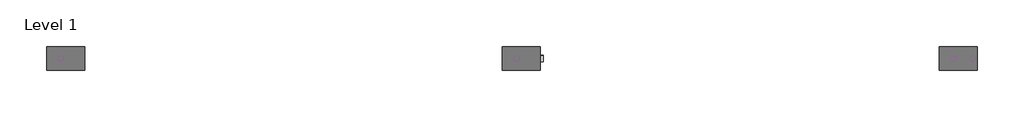
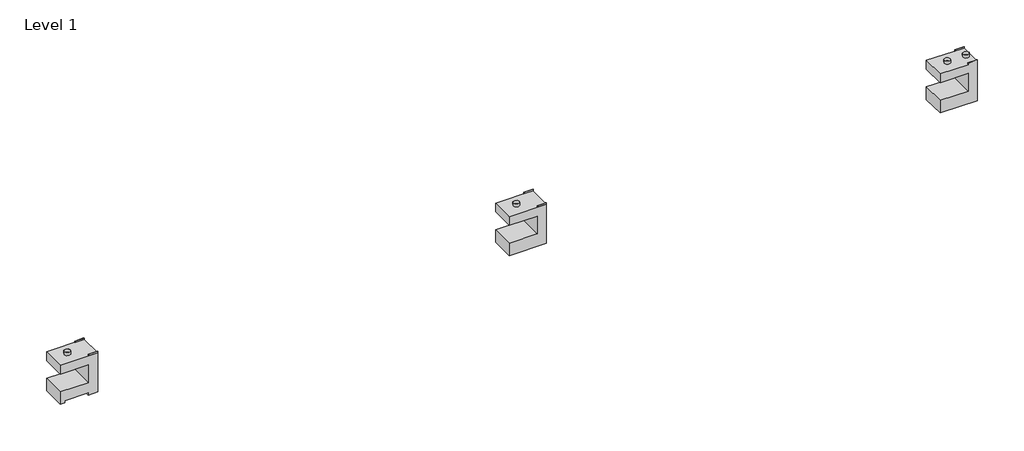
# One storey: 8 proxies.
"""IFC4 building model written with IfcOpenShell, lengths in millimetres."""

import ifcopenshell
import ifcopenshell.guid

model = None  # the IFC model being written
_history = None  # IfcOwnerHistory: only IFC2X3 demands one
_inside = {}  # id of a spatial element -> (the spatial element, [elements in it])
_under = {}  # id of a project, library or spatial element -> (it, [spatial elements below it])
_declared = {}  # id of a project -> (the project, [libraries it declares])
_typed = {}  # id of a type object -> (the type object, [elements of that type])
_made_of = {}  # id of a material, layer set ... -> (it, [elements and type objects made of it])


def new_model(schema):
    """Start an empty IFC model of exactly this schema.

    Asked for "IFC4X3", IfcOpenShell would pick the latest addendum, in which some entities
    have other attributes; the version numbers below select the first issue.
    IFC2X3 requires an IfcOwnerHistory on every rooted entity: one is made here for all.
    """
    global model, _history
    if schema == "IFC4X3":
        model = ifcopenshell.file(schema_version=(4, 3, 0, 0))
    else:
        model = ifcopenshell.file(schema=schema)
    _inside.clear()
    _under.clear()
    _declared.clear()
    _typed.clear()
    _made_of.clear()
    _history = None
    if model.schema == "IFC2X3":
        org = make("IfcOrganization", Name="unknown")
        user = make(
            "IfcPersonAndOrganization",
            ThePerson=make("IfcPerson", FamilyName="unknown"),
            TheOrganization=org,
        )
        app = make(
            "IfcApplication",
            ApplicationDeveloper=org,
            Version="unknown",
            ApplicationFullName="unknown",
            ApplicationIdentifier="unknown",
        )
        _history = make(
            "IfcOwnerHistory",
            OwningUser=user,
            OwningApplication=app,
            ChangeAction="ADDED",
            CreationDate=0,
        )
    return model


def make(cls, **values):
    """One entity of the class cls with the attributes given. An attribute that is None is left unset."""
    return model.create_entity(
        cls, **{name: value for name, value in values.items() if value is not None}
    )


def rooted(cls, **values):
    """An entity with a GlobalId (a new one), such as an element, a storey or a relation."""
    return make(cls, GlobalId=ifcopenshell.guid.new(), OwnerHistory=_history, **values)


def si_unit(unit_type, name, prefix=None):
    """IfcSIUnit, for example si_unit("LENGTHUNIT", "METRE", prefix="MILLI")."""
    return make("IfcSIUnit", UnitType=unit_type, Prefix=prefix, Name=name)


def assignment(units):
    """IfcUnitAssignment: the units of a project."""
    return None if units is None else make("IfcUnitAssignment", Units=units)


def point(xyz):
    """IfcCartesianPoint."""
    return None if xyz is None else make("IfcCartesianPoint", Coordinates=xyz)


def direction(xyz):
    """IfcDirection."""
    return None if xyz is None else make("IfcDirection", DirectionRatios=xyz)


def frame(location, z_axis=None, x_axis=None):
    """IfcAxis2Placement3D, a coordinate frame: its origin and axes. An axis left out is left unset."""
    return make(
        "IfcAxis2Placement3D",
        Location=point(location),
        Axis=direction(z_axis),
        RefDirection=direction(x_axis),
    )


def frame_2d(location, x_axis=None):
    """IfcAxis2Placement2D, a coordinate frame in the plane: its origin and x axis."""
    return make(
        "IfcAxis2Placement2D", Location=point(location), RefDirection=direction(x_axis)
    )


def origin():
    """The frame at (0, 0, 0) with its axes left unset."""
    return frame((0.0, 0.0, 0.0))


def origin_with_axes():
    """The frame at (0, 0, 0) with the z axis (0, 0, 1) and the x axis (1, 0, 0) written out."""
    return frame((0.0, 0.0, 0.0), z_axis=(0.0, 0.0, 1.0), x_axis=(1.0, 0.0, 0.0))


def origin_2d():
    """The frame at (0, 0) in the plane with its x axis left unset."""
    return frame_2d((0.0, 0.0))


def place(relative_to, where):
    """IfcLocalPlacement: puts the frame where relative to a parent placement (None: the world)."""
    return make(
        "IfcLocalPlacement", PlacementRelTo=relative_to, RelativePlacement=where
    )


def context(
    kind, dimensions, precision=None, world=None, true_north=None, identifier=None
):
    """IfcGeometricRepresentationContext, for example the 3D "Model" context."""
    return make(
        "IfcGeometricRepresentationContext",
        ContextIdentifier=identifier,
        ContextType=kind,
        CoordinateSpaceDimension=dimensions,
        Precision=precision,
        WorldCoordinateSystem=world,
        TrueNorth=true_north,
    )


def project(units=None, contexts=None):
    """IfcProject with its units and contexts."""
    return rooted(
        "IfcProject",
        Name="project",
        RepresentationContexts=contexts,
        UnitsInContext=assignment(units),
    )


def spatial(cls, under=None, at=None, **own):
    """A site, building, storey or space (cls), placed at a placement, below another one or the project."""
    s = rooted(cls, ObjectPlacement=at, **own)
    if under is not None:
        _under.setdefault(under.id(), (under, []))[1].append(s)
    return s


def polyline(points):
    """IfcPolyline through the points."""
    return make("IfcPolyline", Points=[point(p) for p in points])


def circle_curve(where, radius):
    """IfcCircle in the frame where."""
    return make("IfcCircle", Position=where, Radius=radius)


def trimmed(basis, trim1, trim2, sense, master):
    """IfcTrimmedCurve: the piece of a basis curve between two trims."""
    return make(
        "IfcTrimmedCurve",
        BasisCurve=basis,
        Trim1=trim1,
        Trim2=trim2,
        SenseAgreement=sense,
        MasterRepresentation=master,
    )


def segment(curve, same_sense, transition):
    """IfcCompositeCurveSegment."""
    return make(
        "IfcCompositeCurveSegment",
        Transition=transition,
        SameSense=same_sense,
        ParentCurve=curve,
    )


def composite_curve(segments, self_intersect=None):
    """IfcCompositeCurve: segments joined end to end."""
    return make("IfcCompositeCurve", Segments=segments, SelfIntersect=self_intersect)


def outline(outer, holes=None, kind="AREA"):
    """IfcArbitraryClosedProfileDef: a profile drawn as a closed curve; with holes, ...WithVoids."""
    if holes is None:
        return make("IfcArbitraryClosedProfileDef", ProfileType=kind, OuterCurve=outer)
    return make(
        "IfcArbitraryProfileDefWithVoids",
        ProfileType=kind,
        OuterCurve=outer,
        InnerCurves=holes,
    )


def extrude(swept, where, along, depth):
    """IfcExtrudedAreaSolid: the profile swept, set in the frame where, extruded along a direction by depth."""
    return make(
        "IfcExtrudedAreaSolid",
        SweptArea=swept,
        Position=where,
        ExtrudedDirection=direction(along),
        Depth=depth,
    )


def faces_of(points, faces, orient=None, outer=None):
    """IfcFace entities. A face is a list of loops; a loop is a list of indices into points, from 0.

    orient and outer hold one flag for each loop. By default every Orientation is true, the
    first loop of a face is its IfcFaceOuterBound and the others are IfcFaceBound.
    """
    made = []
    for i, loops in enumerate(faces):
        bounds = []
        for j, loop in enumerate(loops):
            is_outer = j == 0 if outer is None else outer[i][j]
            bounds.append(
                make(
                    "IfcFaceOuterBound" if is_outer else "IfcFaceBound",
                    Bound=make("IfcPolyLoop", Polygon=[points[k] for k in loop]),
                    Orientation=True if orient is None else orient[i][j],
                )
            )
        made.append(make("IfcFace", Bounds=bounds))
    return made


def faceted_brep(points, faces, orient=None, outer=None, voids=None):
    """IfcFacetedBrep: a solid bounded by flat faces; with voids (closed shells), ...WithVoids."""
    shared = [point(p) for p in points]
    hull = make("IfcClosedShell", CfsFaces=faces_of(shared, faces, orient, outer))
    if voids is None:
        return make("IfcFacetedBrep", Outer=hull)
    return make(
        "IfcFacetedBrepWithVoids",
        Outer=hull,
        Voids=[
            make(cls, CfsFaces=faces_of(shared, fs, o, b)) for cls, fs, o, b in voids
        ],
    )


def shape(context_of_items, identifier, shape_type, items):
    """IfcShapeRepresentation: the items that make up one representation, for example the "Body"."""
    return make(
        "IfcShapeRepresentation",
        ContextOfItems=context_of_items,
        RepresentationIdentifier=identifier,
        RepresentationType=shape_type,
        Items=items,
    )


def source(mapping_origin, context_of_items, identifier, shape_type, items):
    """IfcRepresentationMap: a shape defined once, which mapped items show again and again."""
    return make(
        "IfcRepresentationMap",
        MappingOrigin=mapping_origin,
        MappedRepresentation=shape(context_of_items, identifier, shape_type, items),
    )


def transform(
    local_origin,
    x_axis=None,
    y_axis=None,
    z_axis=None,
    scale=None,
    scale2=None,
    scale3=None,
    uniform=True,
):
    """IfcCartesianTransformationOperator3D, or its non-uniform kind. x_axis, y_axis, z_axis: its Axis1, 2, 3."""
    if uniform:
        return make(
            "IfcCartesianTransformationOperator3D",
            Axis1=direction(x_axis),
            Axis2=direction(y_axis),
            LocalOrigin=point(local_origin),
            Scale=scale,
            Axis3=direction(z_axis),
        )
    return make(
        "IfcCartesianTransformationOperator3DnonUniform",
        Axis1=direction(x_axis),
        Axis2=direction(y_axis),
        LocalOrigin=point(local_origin),
        Scale=scale,
        Axis3=direction(z_axis),
        Scale2=scale2,
        Scale3=scale3,
    )


def mapped(mapping_source, mapping_target):
    """IfcMappedItem: shows the shape of a source again, moved by a transform."""
    return make(
        "IfcMappedItem", MappingSource=mapping_source, MappingTarget=mapping_target
    )


def made_of(thing, what):
    """Note that an element or type object is made of a material, layer set ...; save() writes the relation."""
    if what is not None:
        _made_of.setdefault(what.id(), (what, []))[1].append(thing)
    return thing


def element(
    cls,
    number,
    at=None,
    inside=None,
    cuts=None,
    type_object=None,
    material=None,
    context=None,
    identifier="Body",
    shape_type=None,
    held_by="IfcProductDefinitionShape",
    body=None,
    shapes=None,
    **own,
):
    """One element of the class cls, such as IfcWall. Its Tag is "e" and its number.

    at: its placement. inside: the storey or other place that contains it. cuts: it is an
    opening in that element (IfcRelVoidsElement). A single representation is given by context,
    identifier, shape_type and body (its items); several are given by shapes. held_by: the class
    of the entity that holds the representations. save() writes the other relations.
    """
    e = rooted(cls, Tag="e%d" % number, ObjectPlacement=at, **own)
    if body is not None:
        shapes = [shape(context, identifier, shape_type, body)]
    if shapes is not None:
        e.Representation = make(held_by, Representations=shapes)
    if inside is not None:
        _inside.setdefault(inside.id(), (inside, []))[1].append(e)
    if cuts is not None:
        rooted(
            "IfcRelVoidsElement", RelatingBuildingElement=cuts, RelatedOpeningElement=e
        )
    if type_object is not None:
        _typed.setdefault(type_object.id(), (type_object, []))[1].append(e)
    return made_of(e, material)


def aggregate(whole, parts):
    """IfcRelAggregates: a whole, such as a stair, and the parts it consists of."""
    return rooted("IfcRelAggregates", RelatingObject=whole, RelatedObjects=parts)


def save(model, path):
    """Write the relations noted so far, then the file.

    IfcRelAggregates (storeys below a building ...), IfcRelContainedInSpatialStructure (elements
    in a storey), IfcRelDefinesByType, IfcRelAssociatesMaterial and IfcRelDeclares: one each for
    every whole, place, type object, material and project.
    """
    for whole, parts in _under.values():
        aggregate(whole, parts)
    for where, things in _inside.values():
        rooted(
            "IfcRelContainedInSpatialStructure",
            RelatedElements=things,
            RelatingStructure=where,
        )
    for kind, things in _typed.values():
        rooted("IfcRelDefinesByType", RelatedObjects=things, RelatingType=kind)
    for what, things in _made_of.values():
        rooted("IfcRelAssociatesMaterial", RelatedObjects=things, RelatingMaterial=what)
    for by, libraries in _declared.values():
        rooted("IfcRelDeclares", RelatingContext=by, RelatedDefinitions=libraries)
    model.write(path)


def as_specified_82dfce42(model_context):
    return source(origin(), model_context, "Body", "SweptSolid", [
        extrude(outline(polyline([(304.8, 374.65), (304.8, 381.0), (609.6, 381.0), (609.6, 374.65), (304.8, 374.65)])), frame((0.0, 0.0, 1346.2), z_axis=(0.0, 0.0, 1.0), x_axis=(1.0, 0.0, 0.0)), (0.0, 0.0, 1.0), 50.8),
        extrude(outline(polyline([(304.8, -381.0), (304.8, -374.65), (609.6, -374.65), (609.6, -381.0), (304.8, -381.0)])), frame((0.0, 0.0, 1346.2), z_axis=(0.0, 0.0, 1.0), x_axis=(1.0, 0.0, 0.0)), (0.0, 0.0, 1.0), 50.8),
        extrude(outline(polyline([(1346.2, 609.6), (1346.2, -609.6), (1041.4, -609.6), (1041.4, 304.8), (431.8, 304.8), (431.8, -609.6), (0.0, -609.6), (0.0, 609.6), (1346.2, 609.6)])), frame((0.0, -381.0, 0.0), z_axis=(0.0, 1.0, 0.0), x_axis=(0.0, 0.0, 1.0)), (0.0, 0.0, 1.0), 762.0),
    ])


def as_specified_a680c411(model_context):
    return source(origin(), model_context, "Body", "SweptSolid", [
        extrude(outline(polyline([(304.8, 374.65), (304.8, 381.0), (609.6, 381.0), (609.6, 374.65), (304.8, 374.65)])), frame((0.0, 0.0, 1346.2), z_axis=(0.0, 0.0, 1.0), x_axis=(1.0, 0.0, 0.0)), (0.0, 0.0, 1.0), 50.8),
        extrude(outline(polyline([(304.8, -381.0), (304.8, -374.65), (609.6, -374.65), (609.6, -381.0), (304.8, -381.0)])), frame((0.0, 0.0, 1346.2), z_axis=(0.0, 0.0, 1.0), x_axis=(1.0, 0.0, 0.0)), (0.0, 0.0, 1.0), 50.8),
        extrude(outline(polyline([(1346.2, 609.6), (1346.2, -609.6), (1041.4, -609.6), (1041.4, 304.8), (431.8, 304.8), (431.8, -609.6), (0.0, -609.6), (0.0, -457.2), (76.2, -457.2), (76.2, 304.8), (0.0, 304.8), (0.0, 609.6), (1346.2, 609.6)])), frame((0.0, -381.0, 0.0), z_axis=(0.0, 1.0, 0.0), x_axis=(0.0, 0.0, 1.0)), (0.0, 0.0, 1.0), 762.0),
    ])


def c320pfc_30dp_iii_as_specified_5b63cf98(model_context):
    return source(origin(), model_context, "Body", "Brep", [
        faceted_brep([(-609.6, 381.0, 1346.2), (-609.6, -381.0, 1346.2), (304.8, -381.0, 1346.2), (304.8, -374.65, 1346.2), (609.6, -374.65, 1346.2), (609.6, 374.65, 1346.2), (304.8, 374.65, 1346.2), (304.8, 381.0, 1346.2), (609.6, 381.0, 0.0), (609.6, -381.0, 0.0), (-609.6, -381.0, 0.0), (-609.6, 381.0, 0.0), (-609.6, 381.0, 431.8), (304.8, 381.0, 431.8), (304.8, 381.0, 1041.4), (-609.6, 381.0, 1041.4), (304.8, 381.0, 1397.0), (609.6, 381.0, 1397.0), (-609.6, -381.0, 1041.4), (-609.6, -381.0, 431.8), (609.6, -381.0, 1397.0), (304.8, -381.0, 1397.0), (304.8, -381.0, 1041.4), (304.8, -381.0, 431.8), (609.6, 374.65, 1397.0), (609.6, -374.65, 1397.0), (304.8, -374.65, 1397.0), (304.8, 374.65, 1397.0)], [[[0, 1, 2, 3, 4, 5, 6, 7]], [[8, 9, 10, 11]], [[8, 11, 12, 13, 14, 15, 0, 7, 16, 17]], [[1, 0, 15, 18]], [[11, 10, 19, 12]], [[10, 9, 20, 21, 2, 1, 18, 22, 23, 19]], [[9, 8, 17, 24, 5, 4, 25, 20]], [[23, 13, 12, 19]], [[13, 23, 22, 14]], [[14, 22, 18, 15]], [[21, 26, 3, 2]], [[26, 21, 20, 25]], [[3, 26, 25, 4]], [[16, 7, 6, 27]], [[16, 27, 24, 17]], [[27, 6, 5, 24]]]),
    ])


def proxy_06b7fb91(model_context):
    return source(origin(), model_context, "Body", "SweptSolid", [
        extrude(outline(composite_curve([segment(trimmed(circle_curve(origin_2d(), 98.425), [point((-98.425, 0.0))], [point((98.425, 0.0))], False, "CARTESIAN"), True, "CONTINUOUS"), segment(trimmed(circle_curve(origin_2d(), 98.425), [point((98.425, 0.0))], [point((-98.425, 0.0))], False, "CARTESIAN"), True, "CONTINUOUS")], self_intersect=False), holes=[composite_curve([segment(trimmed(circle_curve(origin_2d(), 96.8375), [point((-96.8375, 0.0))], [point((96.8375, 0.0))], True, "CARTESIAN"), True, "CONTINUOUS"), segment(trimmed(circle_curve(origin_2d(), 96.8375), [point((96.8375, 0.0))], [point((-96.8375, 0.0))], True, "CARTESIAN"), True, "CONTINUOUS")], self_intersect=False)]), origin_with_axes(), (0.0, 0.0, 1.0), 101.6),
    ])


def proxy_5643af6b(model_context):
    return source(origin(), model_context, "Body", "SweptSolid", [
        extrude(outline(composite_curve([segment(trimmed(circle_curve(origin_2d(), 100.0125), [point((-100.0125, 0.0))], [point((100.0125, 0.0))], False, "CARTESIAN"), True, "CONTINUOUS"), segment(trimmed(circle_curve(origin_2d(), 100.0125), [point((100.0125, 0.0))], [point((-100.0125, 0.0))], False, "CARTESIAN"), True, "CONTINUOUS")], self_intersect=False), holes=[composite_curve([segment(trimmed(circle_curve(origin_2d(), 98.425), [point((-98.425, 0.0))], [point((98.425, 0.0))], True, "CARTESIAN"), True, "CONTINUOUS"), segment(trimmed(circle_curve(origin_2d(), 98.425), [point((98.425, 0.0))], [point((-98.425, 0.0))], True, "CARTESIAN"), True, "CONTINUOUS")], self_intersect=False)]), origin_with_axes(), (0.0, 0.0, 1.0), 101.6),
    ])


model = new_model("IFC4")

# Units and contexts
model_context = context("Model", 3, world=origin())
ifc_project = project(units=[si_unit("LENGTHUNIT", "METRE", prefix="MILLI")], contexts=[model_context])

# Site, building, storey
site = spatial("IfcSite", under=ifc_project)
building = spatial("IfcBuilding", under=site)
storey = spatial("IfcBuildingStorey", under=building, Name="Level 1", Elevation=0.0)

# Proxies
placement = place(None, origin())
as_specified_shape = as_specified_82dfce42(model_context)
element("IfcBuildingElementProxy", 1, Name="As Specified", ObjectType="As Specified", at=placement, inside=storey, context=model_context, shape_type="MappedRepresentation", body=[
    mapped(as_specified_shape, transform((618.0574402, 1759.745518, 0.0), x_axis=(1.0, 0.0, 0.0), y_axis=(0.0, 1.0, 0.0), z_axis=(0.0, 0.0, 1.0))),
])
as_specified_2_shape = as_specified_a680c411(model_context)
element("IfcBuildingElementProxy", 2, Name="As Specified", ObjectType="As Specified", at=placement, inside=storey, context=model_context, shape_type="MappedRepresentation", body=[
    mapped(as_specified_2_shape, transform((-14001.2198318, 1759.745518, 0.0), x_axis=(1.0, 0.0, 0.0), y_axis=(0.0, 1.0, 0.0), z_axis=(0.0, 0.0, 1.0))),
])
c320pfc_30dp_iii_as_specified_shape = c320pfc_30dp_iii_as_specified_5b63cf98(model_context)
element("IfcBuildingElementProxy", 3, Name="C320PFC 30DP - III : As Specified", ObjectType="C320PFC 30DP - III : As Specified", at=placement, inside=storey, context=model_context, shape_type="MappedRepresentation", body=[
    mapped(c320pfc_30dp_iii_as_specified_shape, transform((14649.9801682, 1759.745518, 0.0), x_axis=(1.0, 0.0, 0.0), y_axis=(0.0, 1.0, 0.0), z_axis=(0.0, 0.0, 1.0))),
])
proxy_shape = proxy_06b7fb91(model_context)
element("IfcBuildingElementProxy", 4, Name="Duct Dia : 7 3/4\" Dia", ObjectType="Duct Dia : 7 3/4\" Dia", at=placement, inside=storey, context=model_context, shape_type="MappedRepresentation", body=[
    mapped(proxy_shape, transform((465.6574402, 1759.745518, 1346.2), x_axis=(-1.0, 0.0, 0.0), y_axis=(0.0, -1.0, 0.0), z_axis=(0.0, 0.0, 1.0))),
])
element("IfcBuildingElementProxy", 5, Name="Duct Dia : 7 3/4\" Dia", ObjectType="Duct Dia : 7 3/4\" Dia", at=placement, inside=storey, context=model_context, shape_type="MappedRepresentation", body=[
    mapped(proxy_shape, transform((-14153.6198318, 1759.745518, 1346.2), x_axis=(-1.0, 0.0, 0.0), y_axis=(0.0, -1.0, 0.0), z_axis=(0.0, 0.0, 1.0))),
])
element("IfcBuildingElementProxy", 6, Name="Duct Dia : 7 3/4\" Dia", ObjectType="Duct Dia : 7 3/4\" Dia", at=placement, inside=storey, context=model_context, shape_type="MappedRepresentation", body=[
    mapped(proxy_shape, transform((14497.5801682, 1759.745518, 1346.2), x_axis=(-1.0, 0.0, 0.0), y_axis=(0.0, -1.0, 0.0), z_axis=(0.0, 0.0, 1.0))),
])
proxy_2_shape = proxy_5643af6b(model_context)
element("IfcBuildingElementProxy", 7, Name="Duct Dia : 7 7/8\" Dia", ObjectType="Duct Dia : 7 7/8\" Dia", at=placement, inside=storey, context=model_context, shape_type="MappedRepresentation", body=[
    mapped(proxy_2_shape, transform((15107.1801682, 1759.745518, 1346.2), x_axis=(-1.0, 0.0, 0.0), y_axis=(0.0, -1.0, 0.0), z_axis=(0.0, 0.0, 1.0))),
])
element("IfcBuildingElementProxy", 8, Name="Duct Dia : 7 7/8\" Dia", ObjectType="Duct Dia : 7 7/8\" Dia", at=placement, inside=storey, context=model_context, shape_type="MappedRepresentation", body=[
    mapped(proxy_2_shape, transform((1227.6574402, 1759.745518, 1041.4), x_axis=(0.0, 1.0, 0.0), y_axis=(0.0, 0.0, 1.0), z_axis=(1.0, 0.0, 0.0))),
])

save(model, "model.ifc")
